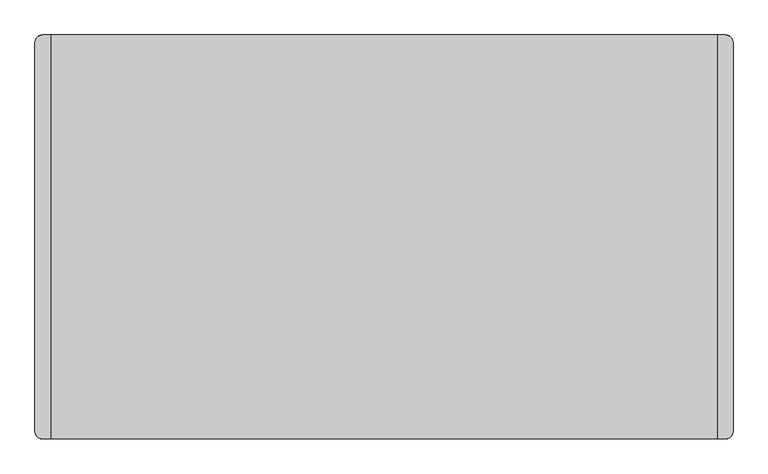
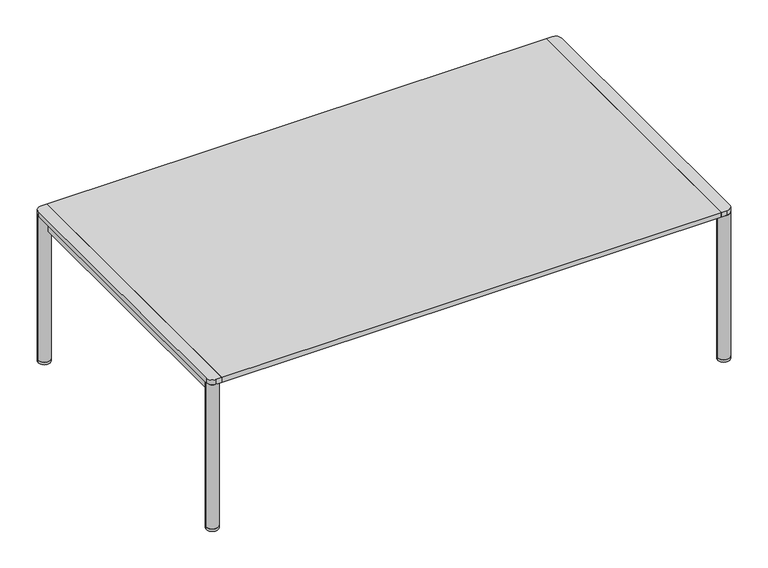
"""IFC4 building model written with IfcOpenShell, lengths in millimetres: furniture geometry."""

from ifc_helpers import new_model, si_unit, point, frame, frame_2d, origin, origin_with_axes, place, context, project, spatial, polyline, circle_curve, trimmed, segment, composite_curve, outline, extrude, source, transform, mapped, element, save
from ifc_brep_helpers import plane_surface, cylinder_surface, advanced_brep


def furniture_1f79a211(model_context):
    return source(origin(), model_context, "Body", "SolidModel", [
        extrude(outline(polyline([(596.9, 14.8450003), (596.9, -14.8450003), (-596.9, -14.8450003), (-596.9, 14.8450003), (596.9, 14.8450003)])), frame((0.0, 0.0, 348.3110069), z_axis=(0.0, 0.0, 1.0), x_axis=(1.0, 0.0, 0.0)), (0.0, 0.0, 1.0), 19.6499997),
        advanced_brep(
        [(-596.9, 347.6625, 370.648815), (-625.475, 347.6625, 370.648815), (-611.1875, 333.375, 370.648815), (-611.1875, -333.375, 370.648815), (-625.475, -347.6625, 370.648815), (-596.9, -347.6625, 370.648815), (-625.475, 347.6625, 6.35), (-596.9, 347.6625, 6.35), (-625.475, -347.6625, 6.35), (-596.9, -347.6625, 6.35), (-596.9, 347.6625, 336.2579542), (-611.1875, 333.375, 336.2579542), (-596.9, -347.6625, 336.2579542), (-611.1875, -333.375, 336.2579542)],
        [
            (0, 1, circle_curve(frame((-611.1875, 347.6625, 370.648815), z_axis=(0.0, 0.0, 1.0), x_axis=(1.0, 0.0, 0.0)), 14.2875)),
            (1, 2, circle_curve(frame((-611.1875, 347.6625, 370.648815), z_axis=(0.0, 0.0, 1.0), x_axis=(1.0, 0.0, 0.0)), 14.2875)),
            (2, 3),
            (3, 4, circle_curve(frame((-611.1875, -347.6625, 370.648815), z_axis=(0.0, 0.0, 1.0), x_axis=(1.0, 0.0, 0.0)), 14.2875)),
            (4, 5, circle_curve(frame((-611.1875, -347.6625, 370.648815), z_axis=(0.0, 0.0, 1.0), x_axis=(1.0, 0.0, 0.0)), 14.2875)),
            (5, 0),
            (6, 7, circle_curve(frame((-611.1875, 347.6625, 6.35), z_axis=(0.0, 0.0, -1.0), x_axis=(1.0, 0.0, 0.0)), 14.2875)),
            (7, 6, circle_curve(frame((-611.1875, 347.6625, 6.35), z_axis=(0.0, 0.0, -1.0), x_axis=(1.0, 0.0, 0.0)), 14.2875)),
            (8, 9, circle_curve(frame((-611.1875, -347.6625, 6.35), z_axis=(0.0, 0.0, -1.0), x_axis=(1.0, 0.0, 0.0)), 14.2875)),
            (9, 8, circle_curve(frame((-611.1875, -347.6625, 6.35), z_axis=(0.0, 0.0, -1.0), x_axis=(1.0, 0.0, 0.0)), 14.2875)),
            (7, 10),
            (10, 11, circle_curve(frame((-611.1875, 347.6625, 336.2579542), z_axis=(0.0, 0.0, -1.0), x_axis=(1.0, 0.0, 0.0)), 14.2875)),
            (11, 2),
            (1, 6),
            (0, 10),
            (4, 8),
            (9, 12),
            (12, 5),
            (3, 13),
            (13, 12, circle_curve(frame((-611.1875, -347.6625, 336.2579542), z_axis=(0.0, 0.0, -1.0), x_axis=(1.0, 0.0, 0.0)), 14.2875)),
            (11, 13),
            (10, 12),
        ],
        [
            plane_surface(frame((-596.9, 347.6625, 370.648815), z_axis=(0.0, 0.0, 1.0), x_axis=(0.0, 1.0, 0.0))),
            plane_surface(frame((-596.9, 347.6625, 6.35), z_axis=(0.0, 0.0, -1.0), x_axis=(0.0, -1.0, 0.0))),
            cylinder_surface(frame((-611.1875, 347.6625, 6.35), z_axis=(0.0, 0.0, 1.0), x_axis=(1.0, 0.0, 0.0)), 14.2875),
            cylinder_surface(frame((-611.1875, -347.6625, 0.0), z_axis=(0.0, 0.0, 1.0), x_axis=(1.0, 0.0, 0.0)), 14.2875),
            plane_surface(frame((-611.1875, -347.6625, 370.648815), z_axis=(-1.0, 0.0, 0.0), x_axis=(0.0, 1.0, 0.0))),
            plane_surface(frame((-611.1875, -347.6625, 336.2579542), z_axis=(0.0, 0.0, -1.0), x_axis=(0.0, 1.0, 0.0))),
            plane_surface(frame((-596.9, -347.6625, 336.2579542), z_axis=(1.0, 0.0, 0.0), x_axis=(0.0, 1.0, 0.0))),
        ],
        [
            (0, [[1, 2, 3, 4, 5, 6]]),
            (1, [[7, 8]]),
            (1, [[9, 10]]),
            (2, [[-8, 11, 12, 13, -2, 14]]),
            (2, [[-1, 15, -11, -7, -14]]),
            (3, [[-5, 16, -10, 17, 18]]),
            (3, [[-9, -16, -4, 19, 20, -17]]),
            (4, [[-3, -13, 21, -19]]),
            (5, [[22, -20, -21, -12]]),
            (6, [[-6, -18, -22, -15]]),
        ],
    ),
        advanced_brep(
        [(596.9, -347.6625, 370.648815), (625.475, -347.6625, 370.648815), (625.475, 347.6625, 370.648815), (596.9, 347.6625, 370.648815), (611.1875, 333.375, 370.648815), (611.1875, -333.375, 370.648815), (596.9, -347.6625, 6.35), (625.475, -347.6625, 6.35), (596.9, 347.6625, 6.35), (625.475, 347.6625, 6.35), (625.475, -347.6625, 336.2579542), (611.1875, -333.375, 336.2579542), (625.475, 347.6625, 336.2579542), (611.1875, 333.375, 336.2579542)],
        [
            (0, 1, circle_curve(frame((611.1875, -347.6625, 370.648815), z_axis=(0.0, 0.0, 1.0), x_axis=(1.0, 0.0, 0.0)), 14.2875)),
            (1, 2),
            (2, 3, circle_curve(frame((611.1875, 347.6625, 370.648815), z_axis=(0.0, 0.0, 1.0), x_axis=(1.0, 0.0, 0.0)), 14.2875)),
            (3, 4, circle_curve(frame((611.1875, 347.6625, 370.648815), z_axis=(0.0, 0.0, 1.0), x_axis=(1.0, 0.0, 0.0)), 14.2875)),
            (4, 5),
            (5, 0, circle_curve(frame((611.1875, -347.6625, 370.648815), z_axis=(0.0, 0.0, 1.0), x_axis=(1.0, 0.0, 0.0)), 14.2875)),
            (6, 7, circle_curve(frame((611.1875, -347.6625, 6.35), z_axis=(0.0, 0.0, -1.0), x_axis=(1.0, 0.0, 0.0)), 14.2875)),
            (7, 6, circle_curve(frame((611.1875, -347.6625, 6.35), z_axis=(0.0, 0.0, -1.0), x_axis=(1.0, 0.0, 0.0)), 14.2875)),
            (8, 9, circle_curve(frame((611.1875, 347.6625, 6.35), z_axis=(0.0, 0.0, -1.0), x_axis=(1.0, 0.0, 0.0)), 14.2875)),
            (9, 8, circle_curve(frame((611.1875, 347.6625, 6.35), z_axis=(0.0, 0.0, -1.0), x_axis=(1.0, 0.0, 0.0)), 14.2875)),
            (0, 6),
            (7, 10),
            (10, 1),
            (5, 11),
            (11, 10, circle_curve(frame((611.1875, -347.6625, 336.2579542), z_axis=(0.0, 0.0, -1.0), x_axis=(1.0, 0.0, 0.0)), 14.2875)),
            (9, 12),
            (12, 13, circle_curve(frame((611.1875, 347.6625, 336.2579542), z_axis=(0.0, 0.0, -1.0), x_axis=(1.0, 0.0, 0.0)), 14.2875)),
            (13, 4),
            (3, 8),
            (2, 12),
            (13, 11),
            (12, 10),
        ],
        [
            plane_surface(frame((-596.9, 347.6625, 370.648815), z_axis=(0.0, 0.0, 1.0), x_axis=(0.0, 1.0, 0.0))),
            plane_surface(frame((-596.9, 347.6625, 6.35), z_axis=(0.0, 0.0, -1.0), x_axis=(0.0, -1.0, 0.0))),
            cylinder_surface(frame((611.1875, -347.6625, 0.0), z_axis=(0.0, 0.0, 1.0), x_axis=(1.0, 0.0, 0.0)), 14.2875),
            cylinder_surface(frame((611.1875, 347.6625, 0.0), z_axis=(0.0, 0.0, 1.0), x_axis=(1.0, 0.0, 0.0)), 14.2875),
            plane_surface(frame((611.1875, -347.6625, 370.648815), z_axis=(-1.0, 0.0, 0.0), x_axis=(0.0, 1.0, 0.0))),
            plane_surface(frame((611.1875, -347.6625, 336.2579542), z_axis=(0.0, 0.0, -1.0), x_axis=(0.0, 1.0, 0.0))),
            plane_surface(frame((625.475, -347.6625, 336.2579542), z_axis=(1.0, 0.0, 0.0), x_axis=(0.0, 1.0, 0.0))),
        ],
        [
            (0, [[1, 2, 3, 4, 5, 6]]),
            (1, [[7, 8]]),
            (1, [[9, 10]]),
            (2, [[-1, 11, -8, 12, 13]]),
            (2, [[-7, -11, -6, 14, 15, -12]]),
            (3, [[-10, 16, 17, 18, -4, 19]]),
            (3, [[-3, 20, -16, -9, -19]]),
            (4, [[-5, -18, 21, -14]]),
            (5, [[22, -15, -21, -17]]),
            (6, [[-2, -13, -22, -20]]),
        ],
    ),
        extrude(outline(composite_curve([segment(trimmed(circle_curve(frame_2d((-611.1875, 347.6625)), 14.2875), [point((-625.475, 347.6625))], [point((-596.9, 347.6625))], False, "CARTESIAN"), True, "CONTINUOUS"), segment(trimmed(circle_curve(frame_2d((-611.1875, 347.6625)), 14.2875), [point((-596.9, 347.6625))], [point((-625.475, 347.6625))], False, "CARTESIAN"), True, "CONTINUOUS")], self_intersect=False)), origin_with_axes(), (0.0, 0.0, 1.0), 6.35),
        extrude(outline(composite_curve([segment(trimmed(circle_curve(frame_2d((611.1875, 347.6625)), 14.2875), [point((596.9, 347.6625))], [point((625.475, 347.6625))], False, "CARTESIAN"), True, "CONTINUOUS"), segment(trimmed(circle_curve(frame_2d((611.1875, 347.6625)), 14.2875), [point((625.475, 347.6625))], [point((596.9, 347.6625))], False, "CARTESIAN"), True, "CONTINUOUS")], self_intersect=False)), origin_with_axes(), (0.0, 0.0, 1.0), 6.35),
        extrude(outline(composite_curve([segment(trimmed(circle_curve(frame_2d((611.1875, -347.6625)), 14.2875), [point((596.9, -347.6625))], [point((625.475, -347.6625))], False, "CARTESIAN"), True, "CONTINUOUS"), segment(trimmed(circle_curve(frame_2d((611.1875, -347.6625)), 14.2875), [point((625.475, -347.6625))], [point((596.9, -347.6625))], False, "CARTESIAN"), True, "CONTINUOUS")], self_intersect=False)), origin_with_axes(), (0.0, 0.0, 1.0), 6.35),
        extrude(outline(composite_curve([segment(trimmed(circle_curve(frame_2d((-611.1875, -347.6625)), 14.2875), [point((-625.475, -347.6625))], [point((-596.9, -347.6625))], False, "CARTESIAN"), True, "CONTINUOUS"), segment(trimmed(circle_curve(frame_2d((-611.1875, -347.6625)), 14.2875), [point((-596.9, -347.6625))], [point((-625.475, -347.6625))], False, "CARTESIAN"), True, "CONTINUOUS")], self_intersect=False)), origin_with_axes(), (0.0, 0.0, 1.0), 6.35),
        extrude(outline(composite_curve([segment(polyline([(-611.1875, 361.95), (-596.9, 361.95), (-596.9, -361.95), (-611.1875, -361.95)]), True, "CONTINUOUS"), segment(trimmed(circle_curve(frame_2d((-611.1875, -347.6625)), 14.2875), [point((-611.1875, -361.95))], [point((-625.475, -347.6625))], False, "CARTESIAN"), True, "CONTINUOUS"), segment(polyline([(-625.475, -347.6625), (-625.475, 347.6625)]), True, "CONTINUOUS"), segment(trimmed(circle_curve(frame_2d((-611.1875, 347.6625)), 14.2875), [point((-625.475, 347.6625))], [point((-611.1875, 361.95))], False, "CARTESIAN"), True, "CONTINUOUS")], self_intersect=False)), frame((0.0, 0.0, 370.648815), z_axis=(0.0, 0.0, 1.0), x_axis=(1.0, 0.0, 0.0)), (0.0, 0.0, 1.0), 11.938685),
        extrude(outline(polyline([(596.9, 361.95), (596.9, -361.95), (-596.9, -361.95), (-596.9, 361.95), (596.9, 361.95)])), frame((0.0, 0.0, 370.648815), z_axis=(0.0, 0.0, 1.0), x_axis=(1.0, 0.0, 0.0)), (0.0, 0.0, 1.0), 11.938685),
        extrude(outline(composite_curve([segment(trimmed(circle_curve(frame_2d((611.1875, -347.6625)), 14.2875), [point((625.475, -347.6625))], [point((611.1875, -361.95))], False, "CARTESIAN"), True, "CONTINUOUS"), segment(polyline([(611.1875, -361.95), (596.9, -361.95), (596.9, 361.95), (611.1875, 361.95)]), True, "CONTINUOUS"), segment(trimmed(circle_curve(frame_2d((611.1875, 347.6625)), 14.2875), [point((611.1875, 361.95))], [point((625.475, 347.6625))], False, "CARTESIAN"), True, "CONTINUOUS"), segment(polyline([(625.475, 347.6625), (625.475, -347.6625)]), True, "CONTINUOUS")], self_intersect=False)), frame((0.0, 0.0, 370.648815), z_axis=(0.0, 0.0, 1.0), x_axis=(1.0, 0.0, 0.0)), (0.0, 0.0, 1.0), 11.938685),
    ])


if __name__ == "__main__":
    model = new_model("IFC4")
    model_context = context("Model", 3, world=origin())
    ifc_project = project(units=[si_unit("LENGTHUNIT", "METRE", prefix="MILLI")], contexts=[model_context])
    site = spatial("IfcSite", under=ifc_project)
    building = spatial("IfcBuilding", under=site)
    placement = place(None, origin())
    furniture_shape = furniture_1f79a211(model_context)
    element("IfcFurniture", 1, at=placement, inside=building, context=model_context, shape_type="MappedRepresentation", body=[
        mapped(furniture_shape, transform((0.0, 0.0, 0.0), x_axis=(1.0, 0.0, 0.0), y_axis=(0.0, 1.0, 0.0), z_axis=(0.0, 0.0, 1.0))),
    ])
    save(model, "model.ifc")
